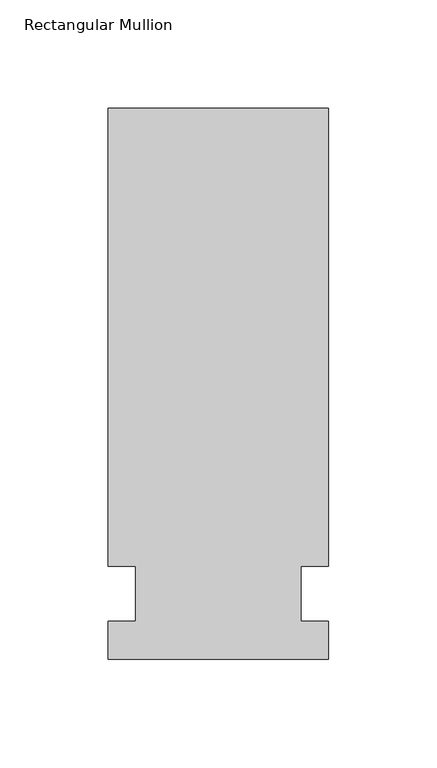
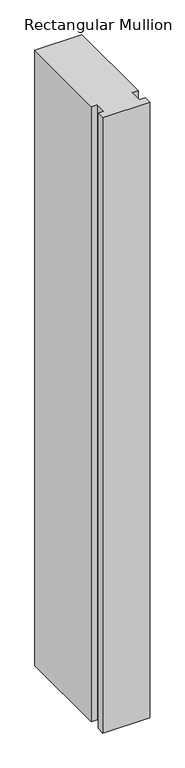
"""IFC4 building model written with IfcOpenShell, lengths in millimetres: member geometry, Rectangular Mullion."""

from ifc_helpers import new_model, si_unit, frame, origin, place, context, project, spatial, polyline, outline, extrude, source, transform, mapped, element, save


def rectangular_mullion_9733006d(model_context):
    return source(origin(), model_context, "Body", "SweptSolid", [
        extrude(outline(polyline([(55.1344027, 223.8375), (55.1344027, 12.7), (42.4326322, 12.7), (42.4326322, -12.7), (55.1344027, -12.7), (55.1344027, -30.1625), (-46.4655973, -30.1625), (-46.4655973, -12.7), (-33.7655973, -12.7), (-33.7655973, 12.7), (-46.4655973, 12.7), (-46.4655973, 223.8375), (55.1344027, 223.8375)])), frame((0.0, 0.0, -1405.4666667), z_axis=(0.0, 0.0, 1.0), x_axis=(1.0, 0.0, 0.0)), (0.0, 0.0, 1.0), 1405.4666667),
    ])


if __name__ == "__main__":
    model = new_model("IFC4")
    model_context = context("Model", 3, world=origin())
    ifc_project = project(units=[si_unit("LENGTHUNIT", "METRE", prefix="MILLI")], contexts=[model_context])
    site = spatial("IfcSite", under=ifc_project)
    building = spatial("IfcBuilding", under=site)
    placement = place(None, origin())
    rectangular_mullion_shape = rectangular_mullion_9733006d(model_context)
    element("IfcMember", 1, ObjectType="Rectangular Mullion", at=placement, inside=building, context=model_context, shape_type="MappedRepresentation", body=[
        mapped(rectangular_mullion_shape, transform((0.0, 0.0, 0.0), x_axis=(1.0, 0.0, 0.0), y_axis=(0.0, 1.0, 0.0), z_axis=(0.0, 0.0, 1.0))),
    ])
    save(model, "model.ifc")
